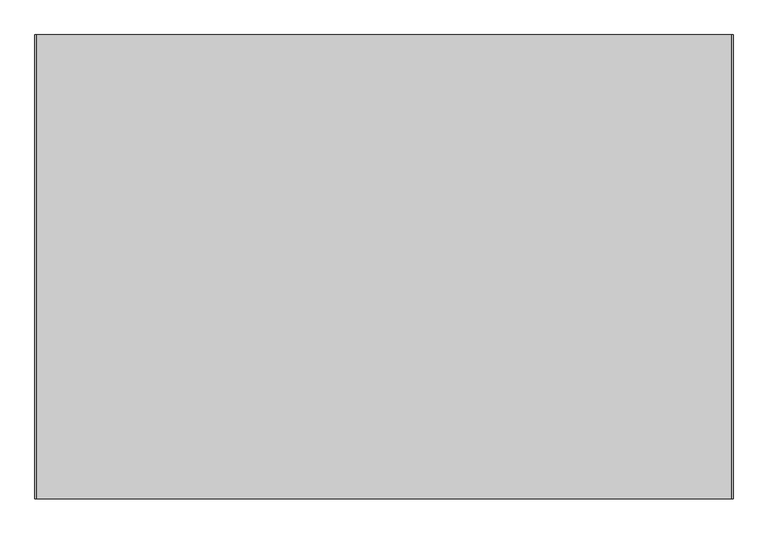
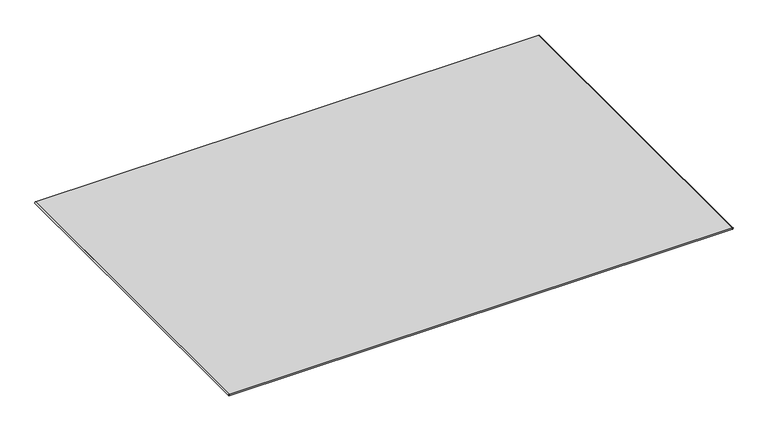
"""IFC4 building model written with IfcOpenShell, lengths in millimetres: furniture geometry."""

from ifc_helpers import new_model, si_unit, point, frame, frame_2d, origin, origin_with_axes, place, context, project, spatial, polyline, circle_curve, trimmed, segment, composite_curve, outline, extrude, source, transform, mapped, element, save


def furniture_03fd9dde(model_context):
    return source(origin(), model_context, "Body", "SweptSolid", [
        extrude(outline(composite_curve([segment(polyline([(0.0, -597.4953125), (10.1203125, -597.4953125)]), True, "CONTINUOUS"), segment(trimmed(circle_curve(frame_2d((5.0601562, -597.4953125)), 5.0601563), [point((10.1203125, -597.4953125))], [point((0.0, -597.4953125))], False, "CARTESIAN"), True, "CONTINUOUS")], self_intersect=False)), frame((0.0, -999.4304687, 0.0), z_axis=(0.0, 1.0, 0.0), x_axis=(0.0, 0.0, 1.0)), (0.0, 0.0, 1.0), 2000.25),
        extrude(outline(composite_curve([segment(trimmed(circle_curve(frame_2d((5.0601562, 2399.7046875)), 5.0601563), [point((0.0, 2399.7046875))], [point((10.1203125, 2399.7046875))], False, "CARTESIAN"), True, "CONTINUOUS"), segment(polyline([(10.1203125, 2399.7046875), (0.0, 2399.7046875)]), True, "CONTINUOUS")], self_intersect=False)), frame((0.0, -999.4304687, 0.0), z_axis=(0.0, 1.0, 0.0), x_axis=(0.0, 0.0, 1.0)), (0.0, 0.0, 1.0), 2000.25),
        extrude(outline(polyline([(2399.7046875, -999.4304687), (-597.4953125, -999.4304687), (-597.4953125, 1000.8195313), (2399.7046875, 1000.8195313), (2399.7046875, -999.4304687)])), origin_with_axes(), (0.0, 0.0, 1.0), 10.1203125),
    ])


if __name__ == "__main__":
    model = new_model("IFC4")
    model_context = context("Model", 3, world=origin())
    ifc_project = project(units=[si_unit("LENGTHUNIT", "METRE", prefix="MILLI")], contexts=[model_context])
    site = spatial("IfcSite", under=ifc_project)
    building = spatial("IfcBuilding", under=site)
    placement = place(None, origin())
    furniture_shape = furniture_03fd9dde(model_context)
    element("IfcFurniture", 1, at=placement, inside=building, context=model_context, shape_type="MappedRepresentation", body=[
        mapped(furniture_shape, transform((0.0, 0.0, 0.0), x_axis=(1.0, 0.0, 0.0), y_axis=(0.0, 1.0, 0.0), z_axis=(0.0, 0.0, 1.0))),
    ])
    save(model, "model.ifc")
